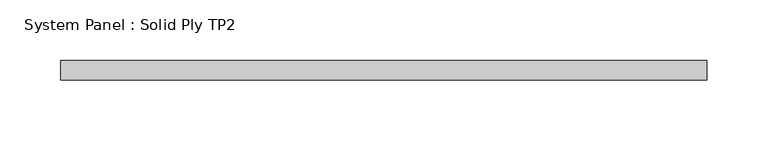
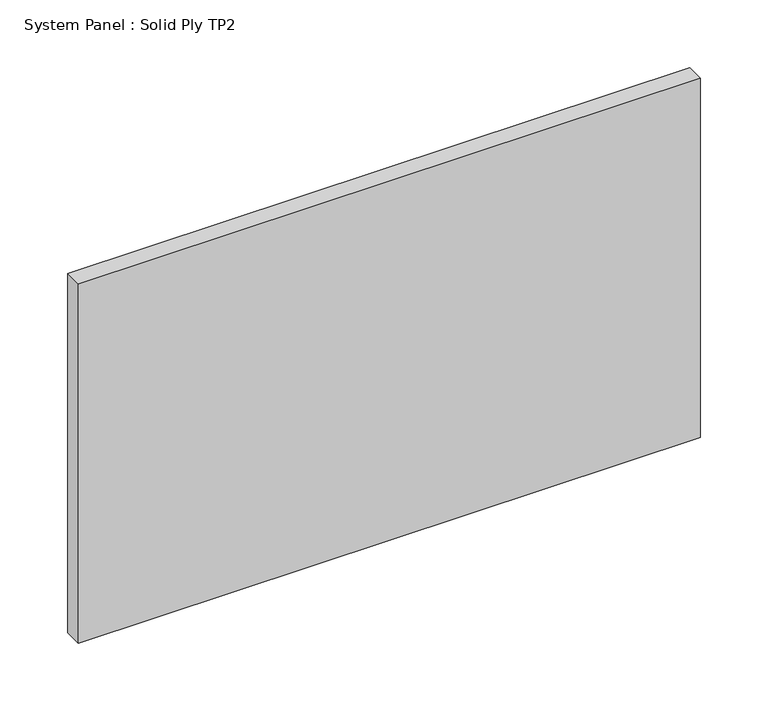
"""IFC4 building model written with IfcOpenShell, lengths in millimetres: plate geometry, System Panel : Solid Ply TP2."""

from ifc_helpers import new_model, si_unit, origin, origin_with_axes, place, context, project, spatial, polyline, outline, extrude, source, transform, mapped, element, save


def system_panel_solid_ply_tp2_c2777420(model_context):
    return source(origin(), model_context, "Body", "SweptSolid", [
        extrude(outline(polyline([(265.995865, -23.0), (-265.995865, -23.0), (-265.995865, -7.0), (265.995865, -7.0), (265.995865, -23.0)])), origin_with_axes(), (0.0, 0.0, 1.0), 325.0),
    ])


if __name__ == "__main__":
    model = new_model("IFC4")
    model_context = context("Model", 3, world=origin())
    ifc_project = project(units=[si_unit("LENGTHUNIT", "METRE", prefix="MILLI")], contexts=[model_context])
    site = spatial("IfcSite", under=ifc_project)
    building = spatial("IfcBuilding", under=site)
    placement = place(None, origin())
    system_panel_solid_ply_tp2_shape = system_panel_solid_ply_tp2_c2777420(model_context)
    element("IfcPlate", 1, ObjectType="System Panel : Solid Ply TP2", at=placement, inside=building, context=model_context, shape_type="MappedRepresentation", body=[
        mapped(system_panel_solid_ply_tp2_shape, transform((0.0, 0.0, 0.0), x_axis=(1.0, 0.0, 0.0), y_axis=(0.0, 1.0, 0.0), z_axis=(0.0, 0.0, 1.0))),
    ])
    save(model, "model.ifc")
